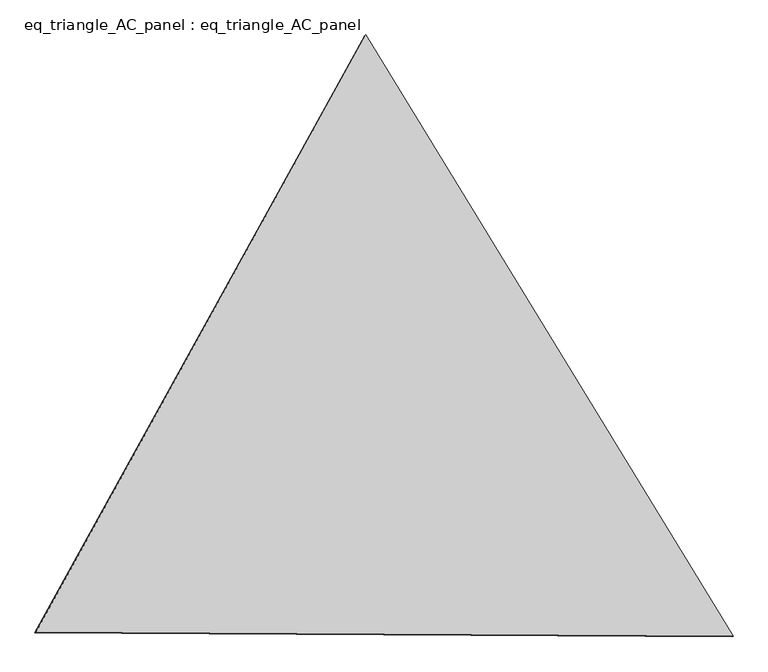
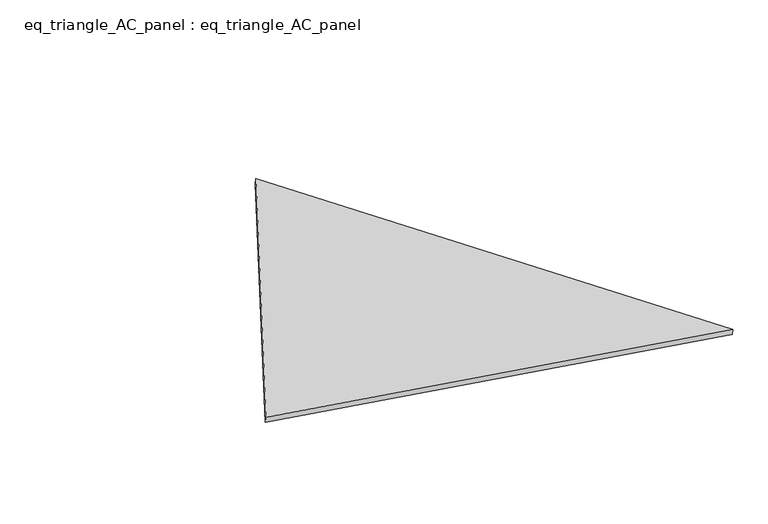
"""IFC4 building model written with IfcOpenShell, lengths in millimetres: proxy geometry, eq_triangle_AC_panel : eq_triangle_AC_panel."""

from ifc_helpers import new_model, si_unit, frame, origin, place, context, project, spatial, polyline, outline, extrude, source, transform, mapped, element, save


def eq_triangle_ac_panel_eq_triangle_ac_panel_f524406b(model_context):
    return source(origin(), model_context, "Body", "SweptSolid", [
        extrude(outline(polyline([(-2032.8306629, 1173.1700195), (2091.2842303, 1173.1700196), (-58.4535675, -2346.3400391), (-2032.8306629, 1173.1700195)])), frame((0.0038051, 527.9290861, 89.8240019), z_axis=(0.14526328518059395, 0.08386570281804405, 0.9858321976225858), x_axis=(0.5211103640696405, -0.8534790669543886, -0.004179800219276856)), (0.0, 0.0, 1.0), 43.8306294),
    ])


if __name__ == "__main__":
    model = new_model("IFC4")
    model_context = context("Model", 3, world=origin())
    ifc_project = project(units=[si_unit("LENGTHUNIT", "METRE", prefix="MILLI")], contexts=[model_context])
    site = spatial("IfcSite", under=ifc_project)
    building = spatial("IfcBuilding", under=site)
    placement = place(None, origin())
    eq_triangle_ac_panel_eq_triangle_ac_panel_shape = eq_triangle_ac_panel_eq_triangle_ac_panel_f524406b(model_context)
    element("IfcBuildingElementProxy", 1, Name="eq_triangle_AC_panel : eq_triangle_AC_panel", ObjectType="eq_triangle_AC_panel : eq_triangle_AC_panel", at=placement, inside=building, context=model_context, shape_type="MappedRepresentation", body=[
        mapped(eq_triangle_ac_panel_eq_triangle_ac_panel_shape, transform((0.0, 0.0, 0.0), x_axis=(1.0, 0.0, 0.0), y_axis=(0.0, 1.0, 0.0), z_axis=(0.0, 0.0, 1.0))),
    ])
    save(model, "model.ifc")
